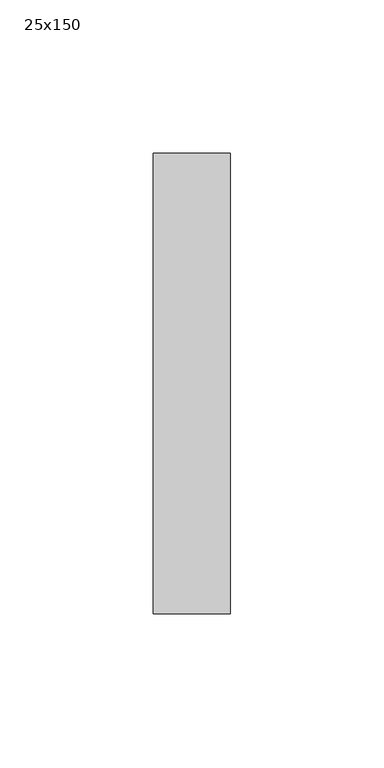
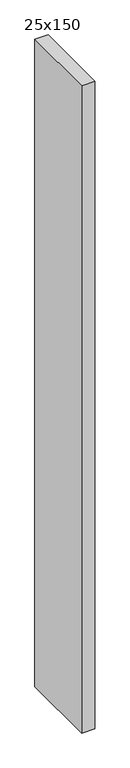
"""IFC4 building model written with IfcOpenShell, lengths in millimetres: member geometry, 25x150."""

from ifc_helpers import new_model, si_unit, frame, origin, place, context, project, spatial, polyline, outline, extrude, source, transform, mapped, element, save


def member_25x150_6388a252(model_context):
    return source(origin(), model_context, "Body", "SweptSolid", [
        extrude(outline(polyline([(0.0, 75.0), (0.0, -75.0), (-25.0, -75.0), (-25.0, 75.0), (0.0, 75.0)])), frame((0.0, 0.0, -1271.861911), z_axis=(0.0, 0.0, 1.0), x_axis=(1.0, 0.0, 0.0)), (0.0, 0.0, 1.0), 1271.861911),
    ])


if __name__ == "__main__":
    model = new_model("IFC4")
    model_context = context("Model", 3, world=origin())
    ifc_project = project(units=[si_unit("LENGTHUNIT", "METRE", prefix="MILLI")], contexts=[model_context])
    site = spatial("IfcSite", under=ifc_project)
    building = spatial("IfcBuilding", under=site)
    placement = place(None, origin())
    member_25x150_shape = member_25x150_6388a252(model_context)
    element("IfcMember", 1, ObjectType="25x150", at=placement, inside=building, context=model_context, shape_type="MappedRepresentation", body=[
        mapped(member_25x150_shape, transform((0.0, 0.0, 0.0), x_axis=(1.0, 0.0, 0.0), y_axis=(0.0, 1.0, 0.0), z_axis=(0.0, 0.0, 1.0))),
    ])
    save(model, "model.ifc")
